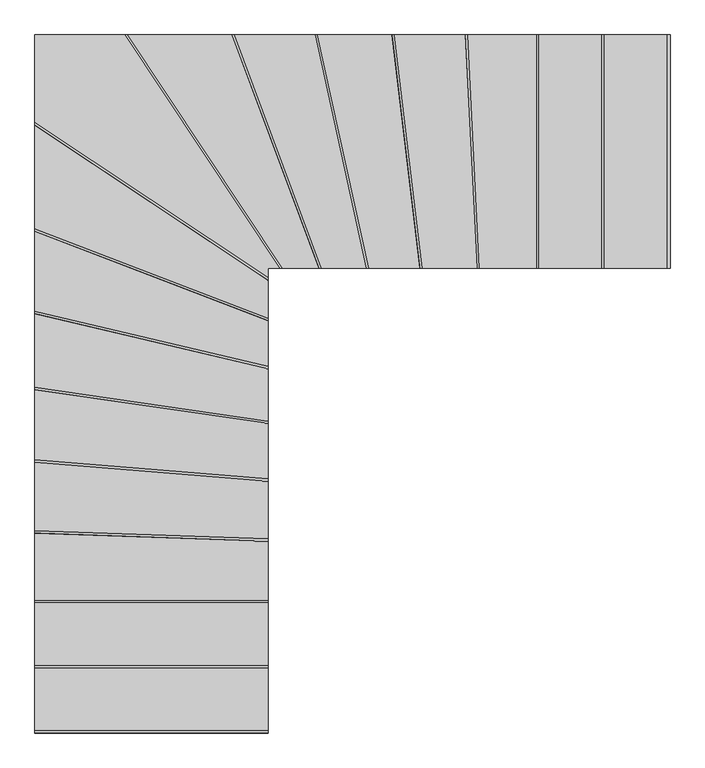
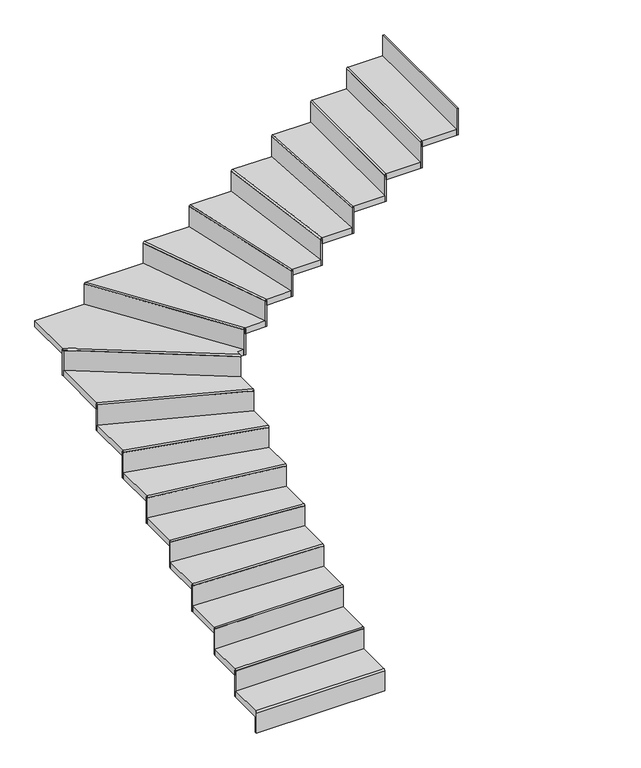
"""IFC4 building model written with IfcOpenShell, lengths in millimetres: stair flight geometry."""

from ifc_helpers import new_model, si_unit, frame, origin, place, context, project, spatial, circle_curve, ellipse_curve, faceted_brep, source, transform, mapped, element, save
from ifc_brep_helpers import plane_surface, cylinder_surface, advanced_brep


def stair_flight_3027c097(model_context):
    return source(origin(), model_context, "Body", "SolidModel", [
        advanced_brep(
        [(-4382.5565664, 1083.4018878, 156.4705882), (-4382.5565664, 1083.4018878, 176.4705882), (-5382.5565664, 1083.4018878, 176.4705882), (-5382.5565664, 1083.4018878, 156.4705882), (-5382.5565664, 1353.4018878, 176.4705882), (-4382.5565664, 1353.4018878, 176.4705882), (-5382.5565664, 1083.4018878, 126.4705882), (-5382.5565664, 1353.4018878, 126.4705882), (-4382.5565664, 1353.4018878, 126.4705882), (-4382.5565664, 1083.4018878, 126.4705882)],
        [
            (0, 1, circle_curve(frame((-4382.5565664, 1083.4018878, 166.4705882), z_axis=(-1.0, 0.0, 0.0), x_axis=(0.0, 1.0, 0.0)), 10.0)),
            (1, 2),
            (2, 3, circle_curve(frame((-5382.5565664, 1083.4018878, 166.4705882), z_axis=(1.0, 0.0, 0.0), x_axis=(0.0, 1.0, 0.0)), 10.0)),
            (3, 0),
            (4, 2),
            (1, 5),
            (5, 4),
            (6, 7),
            (7, 8),
            (8, 9),
            (9, 6),
            (4, 7),
            (6, 3),
            (9, 0),
            (8, 5),
        ],
        [
            cylinder_surface(frame((-4382.5565664, 1083.4018878, 166.4705882), z_axis=(1.0, 0.0, 0.0), x_axis=(0.0, 1.0, 0.0)), 10.0),
            plane_surface(frame((-5382.5565664, 1073.4018878, 176.4705882), z_axis=(0.0, 0.0, 1.0), x_axis=(0.0, -1.0, 0.0))),
            plane_surface(frame((-5382.5565664, 1073.4018878, 126.4705882), z_axis=(0.0, 0.0, -1.0), x_axis=(0.0, 1.0, 0.0))),
            plane_surface(frame((-5382.5565664, 1353.4018878, 176.4705882), z_axis=(-1.0, 0.0, 0.0), x_axis=(0.0, 0.0, -1.0))),
            plane_surface(frame((-5382.5565664, 1083.4018878, 176.4705882), z_axis=(0.0, -1.0, 0.0), x_axis=(0.0, 0.0, -1.0))),
            plane_surface(frame((-4382.5565664, 1083.4018878, 176.4705882), z_axis=(1.0, 0.0, 0.0), x_axis=(0.0, 0.0, -1.0))),
            plane_surface(frame((-4382.5565664, 1353.4018878, 176.4705882), z_axis=(0.0, 1.0, 0.0), x_axis=(0.0, 0.0, -1.0))),
        ],
        [
            (0, [[1, 2, 3, 4]]),
            (1, [[5, -2, 6, 7]]),
            (2, [[8, 9, 10, 11]]),
            (3, [[-5, 12, -8, 13, -3]]),
            (4, [[-11, 14, -4, -13]]),
            (5, [[-6, -1, -14, -10, 15]]),
            (6, [[-7, -15, -9, -12]]),
        ],
    ),
        faceted_brep([(-4382.5565664, 1073.4018878, 166.4705882), (-4382.5565664, 1073.4018878, 0.0), (-4382.5565664, 1085.9018878, 0.0), (-4382.5565664, 1085.9018878, 166.4705882), (-5382.5565664, 1073.4018878, 166.4705882), (-5382.5565664, 1085.9018878, 166.4705882), (-5382.5565664, 1085.9018878, 0.0), (-5382.5565664, 1073.4018878, 0.0)], [[[0, 1, 2, 3]], [[4, 5, 6, 7]], [[1, 0, 4, 7]], [[2, 1, 7, 6]], [[3, 2, 6, 5]], [[0, 3, 5, 4]]]),
        faceted_brep([(-4382.5565664, 1353.4018878, 342.9411765), (-4382.5565664, 1353.4018878, 126.4705882), (-4382.5565664, 1365.9018878, 126.4705882), (-4382.5565664, 1365.9018878, 342.9411765), (-5382.5565664, 1353.4018878, 342.9411765), (-5382.5565664, 1365.9018878, 342.9411765), (-5382.5565664, 1365.9018878, 126.4705882), (-5382.5565664, 1353.4018878, 126.4705882)], [[[0, 1, 2, 3]], [[4, 5, 6, 7]], [[1, 0, 4, 7]], [[2, 1, 7, 6]], [[3, 2, 6, 5]], [[0, 3, 5, 4]]]),
        advanced_brep(
        [(-5382.5565664, 1633.4018878, 352.9411765), (-5382.5565664, 1363.4018878, 352.9411765), (-4382.5565664, 1363.4018878, 352.9411765), (-4382.5565664, 1633.4018878, 352.9411765), (-5382.5565664, 1363.4018878, 302.9411765), (-5382.5565664, 1633.4018878, 302.9411765), (-4382.5565664, 1633.4018878, 302.9411765), (-4382.5565664, 1363.4018878, 302.9411765), (-5382.5565664, 1363.4018878, 332.9411765), (-4382.5565664, 1363.4018878, 332.9411765)],
        [
            (0, 1),
            (1, 2),
            (2, 3),
            (3, 0),
            (4, 5),
            (5, 6),
            (6, 7),
            (7, 4),
            (0, 5),
            (4, 8),
            (8, 1, circle_curve(frame((-5382.5565664, 1363.4018878, 342.9411765), z_axis=(-1.0, 0.0, 0.0), x_axis=(0.0, 1.0, 0.0)), 10.0)),
            (7, 9),
            (9, 8),
            (2, 9, circle_curve(frame((-4382.5565664, 1363.4018878, 342.9411765), z_axis=(1.0, 0.0, 0.0), x_axis=(0.0, 1.0, 0.0)), 10.0)),
            (6, 3),
        ],
        [
            plane_surface(frame((-5382.5565664, 1073.4018878, 352.9411765), z_axis=(0.0, 0.0, 1.0), x_axis=(0.0, -1.0, 0.0))),
            plane_surface(frame((-5382.5565664, 1073.4018878, 302.9411765), z_axis=(0.0, 0.0, -1.0), x_axis=(0.0, 1.0, 0.0))),
            plane_surface(frame((-5382.5565664, 1633.4018878, 352.9411765), z_axis=(-1.0, 0.0, 0.0), x_axis=(0.0, 0.0, -1.0))),
            plane_surface(frame((-5382.5565664, 1363.4018878, 352.9411765), z_axis=(0.0, -1.0, 0.0), x_axis=(0.0, 0.0, -1.0))),
            plane_surface(frame((-4382.5565664, 1363.4018878, 352.9411765), z_axis=(1.0, 0.0, 0.0), x_axis=(0.0, 0.0, -1.0))),
            plane_surface(frame((-4382.5565664, 1633.4018878, 352.9411765), z_axis=(0.0, 1.0, 0.0), x_axis=(0.0, 0.0, -1.0))),
            cylinder_surface(frame((-4382.5565664, 1363.4018878, 342.9411765), z_axis=(1.0, 0.0, 0.0), x_axis=(0.0, 1.0, 0.0)), 10.0),
        ],
        [
            (0, [[1, 2, 3, 4]]),
            (1, [[5, 6, 7, 8]]),
            (2, [[-1, 9, -5, 10, 11]]),
            (3, [[-8, 12, 13, -10]]),
            (4, [[-3, 14, -12, -7, 15]]),
            (5, [[-4, -15, -6, -9]]),
            (6, [[-14, -2, -11, -13]]),
        ],
    ),
        faceted_brep([(-4382.5565664, 1633.4018878, 519.4117647), (-4382.5565664, 1633.4018878, 302.9411765), (-4382.5565664, 1645.9018878, 302.9411765), (-4382.5565664, 1645.9018878, 519.4117647), (-5382.5565664, 1633.4018878, 519.4117647), (-5382.5565664, 1645.9018878, 519.4117647), (-5382.5565664, 1645.9018878, 302.9411765), (-5382.5565664, 1633.4018878, 302.9411765)], [[[0, 1, 2, 3]], [[4, 5, 6, 7]], [[1, 0, 4, 7]], [[2, 1, 7, 6]], [[3, 2, 6, 5]], [[0, 3, 5, 4]]]),
        advanced_brep(
        [(-5382.5565664, 1930.9861509, 529.4117647), (-5382.5565664, 1643.4018878, 529.4117647), (-4382.5565664, 1643.4018878, 529.4117647), (-4382.5565664, 1895.8176248, 529.4117647), (-5382.5565664, 1643.4018878, 479.4117647), (-5382.5565664, 1930.9861509, 479.4117647), (-4382.5565664, 1895.8176248, 479.4117647), (-4382.5565664, 1643.4018878, 479.4117647), (-5382.5565664, 1643.4018878, 509.4117647), (-4382.5565664, 1643.4018878, 509.4117647)],
        [
            (0, 1),
            (1, 2),
            (2, 3),
            (3, 0),
            (4, 5),
            (5, 6),
            (6, 7),
            (7, 4),
            (0, 5),
            (4, 8),
            (8, 1, circle_curve(frame((-5382.5565664, 1643.4018878, 519.4117647), z_axis=(-1.0, 0.0, 0.0), x_axis=(0.0, 1.0, 0.0)), 10.0)),
            (7, 9),
            (9, 8),
            (2, 9, circle_curve(frame((-4382.5565664, 1643.4018878, 519.4117647), z_axis=(1.0, 0.0, 0.0), x_axis=(0.0, 1.0, 0.0)), 10.0)),
            (6, 3),
        ],
        [
            plane_surface(frame((-5382.5565664, 1073.4018878, 529.4117647), z_axis=(0.0, 0.0, 1.0), x_axis=(0.0, -1.0, 0.0))),
            plane_surface(frame((-5382.5565664, 1073.4018878, 479.4117647), z_axis=(0.0, 0.0, -1.0), x_axis=(0.0, 1.0, 0.0))),
            plane_surface(frame((-5382.5565664, 1930.9861509, 529.4117647), z_axis=(-1.0, 0.0, 0.0), x_axis=(0.0, 0.0, -1.0))),
            plane_surface(frame((-5382.5565664, 1643.4018878, 529.4117647), z_axis=(0.0, -1.0, 0.0), x_axis=(0.0, 0.0, -1.0))),
            plane_surface(frame((-4382.5565664, 1643.4018878, 529.4117647), z_axis=(1.0, 0.0, 0.0), x_axis=(0.0, 0.0, -1.0))),
            plane_surface(frame((-4382.5565664, 1895.8176248, 529.4117647), z_axis=(0.035146797626448886, 0.9993821604454453, 0.0), x_axis=(0.0, 0.0, -1.0))),
            cylinder_surface(frame((-4382.5565664, 1643.4018878, 519.4117647), z_axis=(1.0, 0.0, 0.0), x_axis=(0.0, 1.0, 0.0)), 10.0),
        ],
        [
            (0, [[1, 2, 3, 4]]),
            (1, [[5, 6, 7, 8]]),
            (2, [[-1, 9, -5, 10, 11]]),
            (3, [[-8, 12, 13, -10]]),
            (4, [[-3, 14, -12, -7, 15]]),
            (5, [[-4, -15, -6, -9]]),
            (6, [[-14, -2, -11, -13]]),
        ],
    ),
        faceted_brep([(-4382.5565664, 1895.8176248, 695.8823529), (-4382.5565664, 1895.8176248, 479.4117647), (-4382.5565664, 1908.3253525, 479.4117647), (-4382.5565664, 1908.3253525, 695.8823529), (-5382.5565664, 1930.9861509, 695.8823529), (-5382.5565664, 1943.4938787, 695.8823529), (-5382.5565664, 1943.4938787, 479.4117647), (-5382.5565664, 1930.9861509, 479.4117647)], [[[0, 1, 2, 3]], [[4, 5, 6, 7]], [[1, 0, 4, 7]], [[2, 1, 7, 6]], [[3, 2, 6, 5]], [[0, 3, 5, 4]]]),
        advanced_brep(
        [(-5382.5565664, 2234.068725, 705.8823529), (-5382.5565664, 1940.9923331, 705.8823529), (-4382.5565664, 1905.823807, 705.8823529), (-4382.5565664, 2152.7350507, 705.8823529), (-5382.5565664, 1940.9923331, 655.8823529), (-5382.5565664, 2234.068725, 655.8823529), (-4382.5565664, 2152.7350507, 655.8823529), (-4382.5565664, 1905.823807, 655.8823529), (-5382.5565664, 1940.9923331, 685.8823529), (-4382.5565664, 1905.823807, 685.8823529)],
        [
            (0, 1),
            (1, 2),
            (2, 3),
            (3, 0),
            (4, 5),
            (5, 6),
            (6, 7),
            (7, 4),
            (0, 5),
            (4, 8),
            (8, 1, ellipse_curve(frame((-5382.5565664, 1940.9923331, 695.8823529), z_axis=(-1.0, 0.0, 0.0), x_axis=(0.0, -1.0, 0.0)), 10.0061822, 10.0)),
            (7, 9),
            (9, 8),
            (2, 9, ellipse_curve(frame((-4382.5565664, 1905.823807, 695.8823529), z_axis=(1.0, 0.0, 0.0), x_axis=(0.0, -1.0, 0.0)), 10.0061822, 10.0)),
            (6, 3),
        ],
        [
            plane_surface(frame((-5382.5565664, 1073.4018878, 705.8823529), z_axis=(0.0, 0.0, 1.0), x_axis=(0.0, -1.0, 0.0))),
            plane_surface(frame((-5382.5565664, 1073.4018878, 655.8823529), z_axis=(0.0, 0.0, -1.0), x_axis=(0.0, 1.0, 0.0))),
            plane_surface(frame((-5382.5565664, 2234.068725, 705.8823529), z_axis=(-1.0, 0.0, 0.0), x_axis=(0.0, 0.0, -1.0))),
            plane_surface(frame((-5382.5565664, 1940.9923331, 705.8823529), z_axis=(-0.035146797626448886, -0.9993821604454453, 0.0), x_axis=(0.0, 0.0, -1.0))),
            plane_surface(frame((-4382.5565664, 1905.823807, 705.8823529), z_axis=(1.0, 0.0, 0.0), x_axis=(0.0, 0.0, -1.0))),
            plane_surface(frame((-4382.5565664, 2152.7350507, 705.8823529), z_axis=(0.08106598374996134, 0.9967087369330375, 0.0), x_axis=(0.0, 0.0, -1.0))),
            cylinder_surface(frame((-4382.5565664, 1905.823807, 695.8823529), z_axis=(0.9993821604454453, -0.035146797626448886, 0.0), x_axis=(0.035146797626448886, 0.9993821604454453, 0.0)), 10.0),
        ],
        [
            (0, [[1, 2, 3, 4]]),
            (1, [[5, 6, 7, 8]]),
            (2, [[-1, 9, -5, 10, 11]]),
            (3, [[-8, 12, 13, -10]]),
            (4, [[-3, 14, -12, -7, 15]]),
            (5, [[-4, -15, -6, -9]]),
            (6, [[-14, -2, -11, -13]]),
        ],
    ),
        faceted_brep([(-4382.5565664, 2152.7350507, 872.3529412), (-4382.5565664, 2152.7350507, 655.8823529), (-4382.5565664, 2165.2763273, 655.8823529), (-4382.5565664, 2165.2763273, 872.3529412), (-5382.5565664, 2234.068725, 872.3529412), (-5382.5565664, 2246.6100016, 872.3529412), (-5382.5565664, 2246.6100016, 655.8823529), (-5382.5565664, 2234.068725, 655.8823529)], [[[0, 1, 2, 3]], [[4, 5, 6, 7]], [[1, 0, 4, 7]], [[2, 1, 7, 6]], [[3, 2, 6, 5]], [[0, 3, 5, 4]]]),
        advanced_brep(
        [(-5382.5565664, 2545.7063547, 882.3529412), (-5382.5565664, 2244.1017463, 882.3529412), (-4382.5565664, 2162.768072, 882.3529412), (-4382.5565664, 2401.097421, 882.3529412), (-5382.5565664, 2244.1017463, 832.3529412), (-5382.5565664, 2545.7063547, 832.3529412), (-4382.5565664, 2401.097421, 832.3529412), (-4382.5565664, 2162.768072, 832.3529412), (-5382.5565664, 2244.1017463, 862.3529412), (-4382.5565664, 2162.768072, 862.3529412)],
        [
            (0, 1),
            (1, 2),
            (2, 3),
            (3, 0),
            (4, 5),
            (5, 6),
            (6, 7),
            (7, 4),
            (0, 5),
            (4, 8),
            (8, 1, ellipse_curve(frame((-5382.5565664, 2244.1017463, 872.3529412), z_axis=(-1.0, 0.0, 0.0), x_axis=(0.0, -1.0, 0.0)), 10.0330213, 10.0)),
            (7, 9),
            (9, 8),
            (2, 9, ellipse_curve(frame((-4382.5565664, 2162.768072, 872.3529412), z_axis=(1.0, 0.0, 0.0), x_axis=(0.0, -1.0, 0.0)), 10.0330213, 10.0)),
            (6, 3),
        ],
        [
            plane_surface(frame((-5382.5565664, 1073.4018878, 882.3529412), z_axis=(0.0, 0.0, 1.0), x_axis=(0.0, -1.0, 0.0))),
            plane_surface(frame((-5382.5565664, 1073.4018878, 832.3529412), z_axis=(0.0, 0.0, -1.0), x_axis=(0.0, 1.0, 0.0))),
            plane_surface(frame((-5382.5565664, 2545.7063547, 882.3529412), z_axis=(-1.0, 0.0, 0.0), x_axis=(0.0, 0.0, -1.0))),
            plane_surface(frame((-5382.5565664, 2244.1017463, 882.3529412), z_axis=(-0.08106598374996134, -0.9967087369330375, 0.0), x_axis=(0.0, 0.0, -1.0))),
            plane_surface(frame((-4382.5565664, 2162.768072, 882.3529412), z_axis=(1.0, 0.0, 0.0), x_axis=(0.0, 0.0, -1.0))),
            plane_surface(frame((-4382.5565664, 2401.097421, 882.3529412), z_axis=(0.1431202295228898, 0.9897053096257065, 0.0), x_axis=(0.0, 0.0, -1.0))),
            cylinder_surface(frame((-4382.5565664, 2162.768072, 872.3529412), z_axis=(0.9967087369330375, -0.08106598374996134, 0.0), x_axis=(0.08106598374996134, 0.9967087369330375, 0.0)), 10.0),
        ],
        [
            (0, [[1, 2, 3, 4]]),
            (1, [[5, 6, 7, 8]]),
            (2, [[-1, 9, -5, 10, 11]]),
            (3, [[-8, 12, 13, -10]]),
            (4, [[-3, 14, -12, -7, 15]]),
            (5, [[-4, -15, -6, -9]]),
            (6, [[-14, -2, -11, -13]]),
        ],
    ),
        faceted_brep([(-4382.5565664, 2401.097421, 1048.8235294), (-4382.5565664, 2401.097421, 832.3529412), (-4382.5565664, 2413.7274432, 832.3529412), (-4382.5565664, 2413.7274432, 1048.8235294), (-5382.5565664, 2545.7063547, 1048.8235294), (-5382.5565664, 2558.3363769, 1048.8235294), (-5382.5565664, 2558.3363769, 832.3529412), (-5382.5565664, 2545.7063547, 832.3529412)], [[[0, 1, 2, 3]], [[4, 5, 6, 7]], [[1, 0, 4, 7]], [[2, 1, 7, 6]], [[3, 2, 6, 5]], [[0, 3, 5, 4]]]),
        advanced_brep(
        [(-5382.5565664, 2871.7370191, 1058.8235294), (-5382.5565664, 2555.8103724, 1058.8235294), (-4382.5565664, 2411.2014387, 1058.8235294), (-4382.5565664, 2635.0667565, 1058.8235294), (-5382.5565664, 2555.8103724, 1008.8235294), (-5382.5565664, 2871.7370191, 1008.8235294), (-4382.5565664, 2635.0667565, 1008.8235294), (-4382.5565664, 2411.2014387, 1008.8235294), (-5382.5565664, 2555.8103724, 1038.8235294), (-4382.5565664, 2411.2014387, 1038.8235294)],
        [
            (0, 1),
            (1, 2),
            (2, 3),
            (3, 0),
            (4, 5),
            (5, 6),
            (6, 7),
            (7, 4),
            (0, 5),
            (4, 8),
            (8, 1, ellipse_curve(frame((-5382.5565664, 2555.8103724, 1048.8235294), z_axis=(-1.0, 0.0, 0.0), x_axis=(0.0, -1.0, 0.0)), 10.1040177, 10.0)),
            (7, 9),
            (9, 8),
            (2, 9, ellipse_curve(frame((-4382.5565664, 2411.2014387, 1048.8235294), z_axis=(1.0, 0.0, 0.0), x_axis=(0.0, -1.0, 0.0)), 10.1040177, 10.0)),
            (6, 3),
        ],
        [
            plane_surface(frame((-5382.5565664, 1073.4018878, 1058.8235294), z_axis=(0.0, 0.0, 1.0), x_axis=(0.0, -1.0, 0.0))),
            plane_surface(frame((-5382.5565664, 1073.4018878, 1008.8235294), z_axis=(0.0, 0.0, -1.0), x_axis=(0.0, 1.0, 0.0))),
            plane_surface(frame((-5382.5565664, 2871.7370191, 1058.8235294), z_axis=(-1.0, 0.0, 0.0), x_axis=(0.0, 0.0, -1.0))),
            plane_surface(frame((-5382.5565664, 2555.8103724, 1058.8235294), z_axis=(-0.1431202295228898, -0.9897053096257065, 0.0), x_axis=(0.0, 0.0, -1.0))),
            plane_surface(frame((-4382.5565664, 2411.2014387, 1058.8235294), z_axis=(1.0, 0.0, 0.0), x_axis=(0.0, 0.0, -1.0))),
            plane_surface(frame((-4382.5565664, 2635.0667565, 1058.8235294), z_axis=(0.2303080396874287, 0.9731177764563412, 0.0), x_axis=(0.0, 0.0, -1.0))),
            cylinder_surface(frame((-4382.5565664, 2411.2014387, 1048.8235294), z_axis=(0.9897053096257065, -0.1431202295228898, 0.0), x_axis=(0.1431202295228898, 0.9897053096257065, 0.0)), 10.0),
        ],
        [
            (0, [[1, 2, 3, 4]]),
            (1, [[5, 6, 7, 8]]),
            (2, [[-1, 9, -5, 10, 11]]),
            (3, [[-8, 12, 13, -10]]),
            (4, [[-3, 14, -12, -7, 15]]),
            (5, [[-4, -15, -6, -9]]),
            (6, [[-14, -2, -11, -13]]),
        ],
    ),
        faceted_brep([(-4382.5565664, 2635.0667565, 1225.2941176), (-4382.5565664, 2635.0667565, 1008.8235294), (-4382.5565664, 2647.9120671, 1008.8235294), (-4382.5565664, 2647.9120671, 1225.2941176), (-5382.5565664, 2871.7370191, 1225.2941176), (-5382.5565664, 2884.5823296, 1225.2941176), (-5382.5565664, 2884.5823296, 1008.8235294), (-5382.5565664, 2871.7370191, 1008.8235294)], [[[0, 1, 2, 3]], [[4, 5, 6, 7]], [[1, 0, 4, 7]], [[2, 1, 7, 6]], [[3, 2, 6, 5]], [[0, 3, 5, 4]]]),
        advanced_brep(
        [(-5382.5565664, 3224.8745084, 1235.2941176), (-5382.5565664, 2882.0132675, 1235.2941176), (-4382.5565664, 2645.343005, 1235.2941176), (-4382.5565664, 2841.9292673, 1235.2941176), (-5382.5565664, 2882.0132675, 1185.2941176), (-5382.5565664, 3224.8745084, 1185.2941176), (-4382.5565664, 2841.9292673, 1185.2941176), (-4382.5565664, 2645.343005, 1185.2941176), (-5382.5565664, 2882.0132675, 1215.2941176), (-4382.5565664, 2645.343005, 1215.2941176)],
        [
            (0, 1),
            (1, 2),
            (2, 3),
            (3, 0),
            (4, 5),
            (5, 6),
            (6, 7),
            (7, 4),
            (0, 5),
            (4, 8),
            (8, 1, ellipse_curve(frame((-5382.5565664, 2882.0132675, 1225.2941176), z_axis=(-1.0, 0.0, 0.0), x_axis=(0.0, -0.9999999999999999, 0.0)), 10.2762484, 10.0)),
            (7, 9),
            (9, 8),
            (2, 9, ellipse_curve(frame((-4382.5565664, 2645.343005, 1225.2941176), z_axis=(1.0, 0.0, 0.0), x_axis=(0.0, -0.9999999999999999, 0.0)), 10.2762484, 10.0)),
            (6, 3),
        ],
        [
            plane_surface(frame((-5382.5565664, 1073.4018878, 1235.2941176), z_axis=(0.0, 0.0, 1.0), x_axis=(0.0, -1.0, 0.0))),
            plane_surface(frame((-5382.5565664, 1073.4018878, 1185.2941176), z_axis=(0.0, 0.0, -1.0), x_axis=(0.0, 1.0, 0.0))),
            plane_surface(frame((-5382.5565664, 3224.8745084, 1235.2941176), z_axis=(-1.0, 0.0, 0.0), x_axis=(0.0, 0.0, -1.0))),
            plane_surface(frame((-5382.5565664, 2882.0132675, 1235.2941176), z_axis=(-0.2303080396874287, -0.9731177764563412, 0.0), x_axis=(0.0, 0.0, -1.0))),
            plane_surface(frame((-4382.5565664, 2645.343005, 1235.2941176), z_axis=(1.0, 0.0, 0.0), x_axis=(0.0, 0.0, -1.0))),
            plane_surface(frame((-4382.5565664, 2841.9292673, 1235.2941176), z_axis=(0.3576199979387768, 0.9338671945594134, 0.0), x_axis=(0.0, 0.0, -1.0))),
            cylinder_surface(frame((-4382.5565664, 2645.343005, 1225.2941176), z_axis=(0.9731177764563412, -0.2303080396874287, 0.0), x_axis=(0.2303080396874287, 0.9731177764563412, 0.0)), 10.0),
        ],
        [
            (0, [[1, 2, 3, 4]]),
            (1, [[5, 6, 7, 8]]),
            (2, [[-1, 9, -5, 10, 11]]),
            (3, [[-8, 12, 13, -10]]),
            (4, [[-3, 14, -12, -7, 15]]),
            (5, [[-4, -15, -6, -9]]),
            (6, [[-14, -2, -11, -13]]),
        ],
    ),
        faceted_brep([(-4382.5565664, 2841.9292673, 1401.7647059), (-4382.5565664, 2841.9292673, 1185.2941176), (-4382.5565664, 2855.3144682, 1185.2941176), (-4382.5565664, 2855.3144682, 1401.7647059), (-5382.5565664, 3224.8745084, 1401.7647059), (-5382.5565664, 3238.2597093, 1401.7647059), (-5382.5565664, 3238.2597093, 1185.2941176), (-5382.5565664, 3224.8745084, 1185.2941176)], [[[0, 1, 2, 3]], [[4, 5, 6, 7]], [[1, 0, 4, 7]], [[2, 1, 7, 6]], [[3, 2, 6, 5]], [[0, 3, 5, 4]]]),
        advanced_brep(
        [(-5382.5565664, 3679.7313863, 1411.7647059), (-5382.5565664, 3235.5826691, 1411.7647059), (-4382.5565664, 2852.637428, 1411.7647059), (-4382.5565664, 3015.2152573, 1411.7647059), (-5382.5565664, 3235.5826691, 1361.7647059), (-5382.5565664, 3679.7313863, 1361.7647059), (-4382.5565664, 3015.2152573, 1361.7647059), (-4382.5565664, 2852.637428, 1361.7647059), (-5382.5565664, 3235.5826691, 1391.7647059), (-4382.5565664, 2852.637428, 1391.7647059)],
        [
            (0, 1),
            (1, 2),
            (2, 3),
            (3, 0),
            (4, 5),
            (5, 6),
            (6, 7),
            (7, 4),
            (0, 5),
            (4, 8),
            (8, 1, ellipse_curve(frame((-5382.5565664, 3235.5826691, 1401.7647059), z_axis=(-1.0, 0.0, 0.0), x_axis=(0.0, -1.0, 0.0)), 10.7081607, 10.0)),
            (7, 9),
            (9, 8),
            (2, 9, ellipse_curve(frame((-4382.5565664, 2852.637428, 1401.7647059), z_axis=(1.0, 0.0, 0.0), x_axis=(0.0, -1.0, 0.0)), 10.7081607, 10.0)),
            (6, 3),
        ],
        [
            plane_surface(frame((-5382.5565664, 1073.4018878, 1411.7647059), z_axis=(0.0, 0.0, 1.0), x_axis=(0.0, -1.0, 0.0))),
            plane_surface(frame((-5382.5565664, 1073.4018878, 1361.7647059), z_axis=(0.0, 0.0, -1.0), x_axis=(0.0, 1.0, 0.0))),
            plane_surface(frame((-5382.5565664, 3679.7313863, 1411.7647059), z_axis=(-1.0, 0.0, 0.0), x_axis=(0.0, 0.0, -1.0))),
            plane_surface(frame((-5382.5565664, 3235.5826691, 1411.7647059), z_axis=(-0.3576199979387768, -0.9338671945594134, 0.0), x_axis=(0.0, 0.0, -1.0))),
            plane_surface(frame((-4382.5565664, 2852.637428, 1411.7647059), z_axis=(1.0, 0.0, 0.0), x_axis=(0.0, 0.0, -1.0))),
            plane_surface(frame((-4382.5565664, 3015.2152573, 1411.7647059), z_axis=(0.5534595662578744, 0.8328760463104011, 0.0), x_axis=(0.0, 0.0, -1.0))),
            cylinder_surface(frame((-4382.5565664, 2852.637428, 1401.7647059), z_axis=(0.9338671945594134, -0.3576199979387768, 0.0), x_axis=(0.3576199979387768, 0.9338671945594134, 0.0)), 10.0),
        ],
        [
            (0, [[1, 2, 3, 4]]),
            (1, [[5, 6, 7, 8]]),
            (2, [[-1, 9, -5, 10, 11]]),
            (3, [[-8, 12, 13, -10]]),
            (4, [[-3, 14, -12, -7, 15]]),
            (5, [[-4, -15, -6, -9]]),
            (6, [[-14, -2, -11, -13]]),
        ],
    ),
        faceted_brep([(-4382.5565664, 3015.2152573, 1578.2352941), (-4382.5565664, 3015.2152573, 1361.7647059), (-4382.5565664, 3030.223493, 1361.7647059), (-4382.5565664, 3030.223493, 1578.2352941), (-5382.5565664, 3679.7313863, 1578.2352941), (-5382.5565664, 3694.739622, 1578.2352941), (-5382.5565664, 3694.739622, 1361.7647059), (-5382.5565664, 3679.7313863, 1361.7647059)], [[[0, 1, 2, 3]], [[4, 5, 6, 7]], [[1, 0, 4, 7]], [[2, 1, 7, 6]], [[3, 2, 6, 5]], [[0, 3, 5, 4]]]),
        advanced_brep(
        [(-4996.1610071, 4066.1269455, 1588.2352941), (-5382.5565664, 4066.1269455, 1588.2352941), (-5382.5565664, 3691.7379749, 1588.2352941), (-4382.5565664, 3027.2218458, 1588.2352941), (-4382.5565664, 3066.1269455, 1588.2352941), (-4331.6448781, 3066.1269455, 1588.2352941), (-5382.5565664, 4066.1269455, 1538.2352941), (-4996.1610071, 4066.1269455, 1538.2352941), (-4331.6448781, 3066.1269455, 1538.2352941), (-4382.5565664, 3066.1269455, 1538.2352941), (-4382.5565664, 3027.2218458, 1538.2352941), (-5382.5565664, 3691.7379749, 1538.2352941), (-5382.5565664, 3691.7379749, 1568.2352941), (-4382.5565664, 3027.2218458, 1568.2352941)],
        [
            (0, 1),
            (1, 2),
            (2, 3),
            (3, 4),
            (4, 5),
            (5, 0),
            (6, 7),
            (7, 8),
            (8, 9),
            (9, 10),
            (10, 11),
            (11, 6),
            (0, 7),
            (6, 1),
            (11, 12),
            (12, 2, ellipse_curve(frame((-5382.5565664, 3691.7379749, 1578.2352941), z_axis=(-1.0, 0.0, 0.0), x_axis=(0.0, -1.0, 0.0)), 12.0065885, 10.0)),
            (10, 13),
            (13, 12),
            (3, 13, ellipse_curve(frame((-4382.5565664, 3027.2218458, 1578.2352941), z_axis=(1.0, 0.0, 0.0), x_axis=(0.0, -1.0, 0.0)), 12.0065885, 10.0)),
            (9, 4),
            (8, 5),
        ],
        [
            plane_surface(frame((-4882.5565664, 4066.1269455, 1588.2352941), z_axis=(0.0, 0.0, 1.0), x_axis=(-1.0, 0.0, 0.0))),
            plane_surface(frame((-4882.5565664, 4066.1269455, 1538.2352941), z_axis=(0.0, 0.0, -1.0), x_axis=(1.0, 0.0, 0.0))),
            plane_surface(frame((-4996.1610071, 4066.1269455, 1588.2352941), z_axis=(0.0, 1.0, 0.0), x_axis=(0.0, 0.0, -1.0))),
            plane_surface(frame((-5382.5565664, 4066.1269455, 1588.2352941), z_axis=(-1.0, 0.0, 0.0), x_axis=(0.0, 0.0, -1.0))),
            plane_surface(frame((-5382.5565664, 3691.7379749, 1588.2352941), z_axis=(-0.5534595662578744, -0.8328760463104011, 0.0), x_axis=(0.0, 0.0, -1.0))),
            plane_surface(frame((-4382.5565664, 3027.2218458, 1588.2352941), z_axis=(1.0, 0.0, 0.0), x_axis=(0.0, 0.0, -1.0))),
            plane_surface(frame((-4382.5565664, 3066.1269455, 1588.2352941), z_axis=(0.0, -1.0, 0.0), x_axis=(0.0, 0.0, -1.0))),
            plane_surface(frame((-4331.6448781, 3066.1269455, 1588.2352941), z_axis=(0.8328760463103974, 0.5534595662578802, 0.0), x_axis=(0.0, 0.0, -1.0))),
            cylinder_surface(frame((-4382.5565664, 3027.2218458, 1578.2352941), z_axis=(0.8328760463104011, -0.5534595662578744, 0.0), x_axis=(0.5534595662578744, 0.8328760463104011, 0.0)), 10.0),
        ],
        [
            (0, [[1, 2, 3, 4, 5, 6]]),
            (1, [[7, 8, 9, 10, 11, 12]]),
            (2, [[-1, 13, -7, 14]]),
            (3, [[-2, -14, -12, 15, 16]]),
            (4, [[-11, 17, 18, -15]]),
            (5, [[-4, 19, -17, -10, 20]]),
            (6, [[-5, -20, -9, 21]]),
            (7, [[-6, -21, -8, -13]]),
            (8, [[-19, -3, -16, -18]]),
        ],
    ),
        faceted_brep([(-4331.6448781, 3066.1269455, 1754.7058824), (-4331.6448781, 3066.1269455, 1538.2352941), (-4316.6366424, 3066.1269455, 1538.2352941), (-4316.6366424, 3066.1269455, 1754.7058824), (-4996.1610071, 4066.1269455, 1754.7058824), (-4981.1527715, 4066.1269455, 1754.7058824), (-4981.1527715, 4066.1269455, 1538.2352941), (-4996.1610071, 4066.1269455, 1538.2352941)], [[[0, 1, 2, 3]], [[4, 5, 6, 7]], [[1, 0, 4, 7]], [[2, 1, 7, 6]], [[3, 2, 6, 5]], [[0, 3, 5, 4]]]),
        advanced_brep(
        [(-4536.5466438, 4066.1269455, 1764.7058824), (-4984.1544186, 4066.1269455, 1764.7058824), (-4319.6382896, 3066.1269455, 1764.7058824), (-4163.1163735, 3066.1269455, 1764.7058824), (-4984.1544186, 4066.1269455, 1714.7058824), (-4536.5466438, 4066.1269455, 1714.7058824), (-4163.1163735, 3066.1269455, 1714.7058824), (-4319.6382896, 3066.1269455, 1714.7058824), (-4984.1544186, 4066.1269455, 1744.7058824), (-4319.6382896, 3066.1269455, 1744.7058824)],
        [
            (0, 1),
            (1, 2),
            (2, 3),
            (3, 0),
            (4, 5),
            (5, 6),
            (6, 7),
            (7, 4),
            (0, 5),
            (4, 8),
            (8, 1, ellipse_curve(frame((-4984.1544186, 4066.1269455, 1754.7058824), z_axis=(0.0, 1.0, 0.0), x_axis=(1.0, 0.0, 0.0)), 12.0065885, 10.0)),
            (7, 9),
            (9, 8),
            (2, 9, ellipse_curve(frame((-4319.6382896, 3066.1269455, 1754.7058824), z_axis=(0.0, -1.0, 0.0), x_axis=(1.0, 0.0, 0.0)), 12.0065885, 10.0)),
            (6, 3),
        ],
        [
            plane_surface(frame((-4882.5565664, 4066.1269455, 1764.7058824), z_axis=(0.0, 0.0, 1.0), x_axis=(-1.0, 0.0, 0.0))),
            plane_surface(frame((-4882.5565664, 4066.1269455, 1714.7058824), z_axis=(0.0, 0.0, -1.0), x_axis=(1.0, 0.0, 0.0))),
            plane_surface(frame((-4536.5466438, 4066.1269455, 1764.7058824), z_axis=(0.0, 1.0, 0.0), x_axis=(0.0, 0.0, -1.0))),
            plane_surface(frame((-4984.1544186, 4066.1269455, 1764.7058824), z_axis=(-0.8328760463103974, -0.5534595662578802, 0.0), x_axis=(0.0, 0.0, -1.0))),
            plane_surface(frame((-4319.6382896, 3066.1269455, 1764.7058824), z_axis=(0.0, -1.0, 0.0), x_axis=(0.0, 0.0, -1.0))),
            plane_surface(frame((-4163.1163735, 3066.1269455, 1764.7058824), z_axis=(0.9368117555809965, 0.3498338671501823, 0.0), x_axis=(0.0, 0.0, -1.0))),
            cylinder_surface(frame((-4319.6382896, 3066.1269455, 1754.7058824), z_axis=(0.5534595662578802, -0.8328760463103974, 0.0), x_axis=(0.8328760463103974, 0.5534595662578802, 0.0)), 10.0),
        ],
        [
            (0, [[1, 2, 3, 4]]),
            (1, [[5, 6, 7, 8]]),
            (2, [[-1, 9, -5, 10, 11]]),
            (3, [[-8, 12, 13, -10]]),
            (4, [[-3, 14, -12, -7, 15]]),
            (5, [[-4, -15, -6, -9]]),
            (6, [[-14, -2, -11, -13]]),
        ],
    ),
        faceted_brep([(-4163.1163735, 3066.1269455, 1931.1764706), (-4163.1163735, 3066.1269455, 1714.7058824), (-4149.7732446, 3066.1269455, 1714.7058824), (-4149.7732446, 3066.1269455, 1931.1764706), (-4536.5466438, 4066.1269455, 1931.1764706), (-4523.203515, 4066.1269455, 1931.1764706), (-4523.203515, 4066.1269455, 1714.7058824), (-4536.5466438, 4066.1269455, 1714.7058824)], [[[0, 1, 2, 3]], [[4, 5, 6, 7]], [[1, 0, 4, 7]], [[2, 1, 7, 6]], [[3, 2, 6, 5]], [[0, 3, 5, 4]]]),
        advanced_brep(
        [(-4179.195862, 4066.1269455, 1941.1764706), (-4525.8721407, 4066.1269455, 1941.1764706), (-4152.4418704, 3066.1269455, 1941.1764706), (-3960.4671553, 3066.1269455, 1941.1764706), (-4525.8721407, 4066.1269455, 1891.1764706), (-4179.195862, 4066.1269455, 1891.1764706), (-3960.4671553, 3066.1269455, 1891.1764706), (-4152.4418704, 3066.1269455, 1891.1764706), (-4525.8721407, 4066.1269455, 1921.1764706), (-4152.4418704, 3066.1269455, 1921.1764706)],
        [
            (0, 1),
            (1, 2),
            (2, 3),
            (3, 0),
            (4, 5),
            (5, 6),
            (6, 7),
            (7, 4),
            (0, 5),
            (4, 8),
            (8, 1, ellipse_curve(frame((-4525.8721407, 4066.1269455, 1931.1764706), z_axis=(0.0, 1.0, 0.0), x_axis=(1.0, 0.0, 0.0)), 10.6745031, 10.0)),
            (7, 9),
            (9, 8),
            (2, 9, ellipse_curve(frame((-4152.4418704, 3066.1269455, 1931.1764706), z_axis=(0.0, -1.0, 0.0), x_axis=(1.0, 0.0, 0.0)), 10.6745031, 10.0)),
            (6, 3),
        ],
        [
            plane_surface(frame((-4882.5565664, 4066.1269455, 1941.1764706), z_axis=(0.0, 0.0, 1.0), x_axis=(-1.0, 0.0, 0.0))),
            plane_surface(frame((-4882.5565664, 4066.1269455, 1891.1764706), z_axis=(0.0, 0.0, -1.0), x_axis=(1.0, 0.0, 0.0))),
            plane_surface(frame((-4179.195862, 4066.1269455, 1941.1764706), z_axis=(0.0, 1.0, 0.0), x_axis=(0.0, 0.0, -1.0))),
            plane_surface(frame((-4525.8721407, 4066.1269455, 1941.1764706), z_axis=(-0.9368117555809965, -0.3498338671501823, 0.0), x_axis=(0.0, 0.0, -1.0))),
            plane_surface(frame((-4152.4418704, 3066.1269455, 1941.1764706), z_axis=(0.0, -1.0, 0.0), x_axis=(0.0, 0.0, -1.0))),
            plane_surface(frame((-3960.4671553, 3066.1269455, 1941.1764706), z_axis=(0.9769043597333207, 0.2136770271555436, 0.0), x_axis=(0.0, 0.0, -1.0))),
            cylinder_surface(frame((-4152.4418704, 3066.1269455, 1931.1764706), z_axis=(0.3498338671501823, -0.9368117555809965, 0.0), x_axis=(0.9368117555809965, 0.3498338671501823, 0.0)), 10.0),
        ],
        [
            (0, [[1, 2, 3, 4]]),
            (1, [[5, 6, 7, 8]]),
            (2, [[-1, 9, -5, 10, 11]]),
            (3, [[-8, 12, 13, -10]]),
            (4, [[-3, 14, -12, -7, 15]]),
            (5, [[-4, -15, -6, -9]]),
            (6, [[-14, -2, -11, -13]]),
        ],
    ),
        faceted_brep([(-3960.4671553, 3066.1269455, 2107.6470588), (-3960.4671553, 3066.1269455, 1891.1764706), (-3947.6716346, 3066.1269455, 1891.1764706), (-3947.6716346, 3066.1269455, 2107.6470588), (-4179.195862, 4066.1269455, 2107.6470588), (-4166.4003413, 4066.1269455, 2107.6470588), (-4166.4003413, 4066.1269455, 1891.1764706), (-4179.195862, 4066.1269455, 1891.1764706)], [[[0, 1, 2, 3]], [[4, 5, 6, 7]], [[1, 0, 4, 7]], [[2, 1, 7, 6]], [[3, 2, 6, 5]], [[0, 3, 5, 4]]]),
        advanced_brep(
        [(-3849.6410613, 4066.1269455, 2117.6470588), (-4168.9594454, 4066.1269455, 2117.6470588), (-3950.2307387, 3066.1269455, 2117.6470588), (-3730.021956, 3066.1269455, 2117.6470588), (-4168.9594454, 4066.1269455, 2067.6470588), (-3849.6410613, 4066.1269455, 2067.6470588), (-3730.021956, 3066.1269455, 2067.6470588), (-3950.2307387, 3066.1269455, 2067.6470588), (-4168.9594454, 4066.1269455, 2097.6470588), (-3950.2307387, 3066.1269455, 2097.6470588)],
        [
            (0, 1),
            (1, 2),
            (2, 3),
            (3, 0),
            (4, 5),
            (5, 6),
            (6, 7),
            (7, 4),
            (0, 5),
            (4, 8),
            (8, 1, ellipse_curve(frame((-4168.9594454, 4066.1269455, 2107.6470588), z_axis=(0.0, 1.0, 0.0), x_axis=(0.9999999999999999, 0.0, 0.0)), 10.2364166, 10.0)),
            (7, 9),
            (9, 8),
            (2, 9, ellipse_curve(frame((-3950.2307387, 3066.1269455, 2107.6470588), z_axis=(0.0, -1.0, 0.0), x_axis=(0.9999999999999999, 0.0, 0.0)), 10.2364166, 10.0)),
            (6, 3),
        ],
        [
            plane_surface(frame((-4882.5565664, 4066.1269455, 2117.6470588), z_axis=(0.0, 0.0, 1.0), x_axis=(-1.0, 0.0, 0.0))),
            plane_surface(frame((-4882.5565664, 4066.1269455, 2067.6470588), z_axis=(0.0, 0.0, -1.0), x_axis=(1.0, 0.0, 0.0))),
            plane_surface(frame((-3849.6410613, 4066.1269455, 2117.6470588), z_axis=(0.0, 1.0, 0.0), x_axis=(0.0, 0.0, -1.0))),
            plane_surface(frame((-4168.9594454, 4066.1269455, 2117.6470588), z_axis=(-0.9769043597333207, -0.2136770271555436, 0.0), x_axis=(0.0, 0.0, -1.0))),
            plane_surface(frame((-3950.2307387, 3066.1269455, 2117.6470588), z_axis=(0.0, -1.0, 0.0), x_axis=(0.0, 0.0, -1.0))),
            plane_surface(frame((-3730.021956, 3066.1269455, 2117.6470588), z_axis=(0.9929215080674453, 0.11877238238357603, 0.0), x_axis=(0.0, 0.0, -1.0))),
            cylinder_surface(frame((-3950.2307387, 3066.1269455, 2107.6470588), z_axis=(0.2136770271555436, -0.9769043597333207, 0.0), x_axis=(0.9769043597333207, 0.2136770271555436, 0.0)), 10.0),
        ],
        [
            (0, [[1, 2, 3, 4]]),
            (1, [[5, 6, 7, 8]]),
            (2, [[-1, 9, -5, 10, 11]]),
            (3, [[-8, 12, 13, -10]]),
            (4, [[-3, 14, -12, -7, 15]]),
            (5, [[-4, -15, -6, -9]]),
            (6, [[-14, -2, -11, -13]]),
        ],
    ),
        faceted_brep([(-3730.021956, 3066.1269455, 2284.1176471), (-3730.021956, 3066.1269455, 2067.6470588), (-3717.4328441, 3066.1269455, 2067.6470588), (-3717.4328441, 3066.1269455, 2284.1176471), (-3849.6410613, 4066.1269455, 2284.1176471), (-3837.0519494, 4066.1269455, 2284.1176471), (-3837.0519494, 4066.1269455, 2067.6470588), (-3849.6410613, 4066.1269455, 2067.6470588)], [[[0, 1, 2, 3]], [[4, 5, 6, 7]], [[1, 0, 4, 7]], [[2, 1, 7, 6]], [[3, 2, 6, 5]], [[0, 3, 5, 4]]]),
        advanced_brep(
        [(-3535.1815245, 4066.1269455, 2294.1176471), (-3839.5697718, 4066.1269455, 2294.1176471), (-3719.9506665, 3066.1269455, 2294.1176471), (-3484.4814928, 3066.1269455, 2294.1176471), (-3839.5697718, 4066.1269455, 2244.1176471), (-3535.1815245, 4066.1269455, 2244.1176471), (-3484.4814928, 3066.1269455, 2244.1176471), (-3719.9506665, 3066.1269455, 2244.1176471), (-3839.5697718, 4066.1269455, 2274.1176471), (-3719.9506665, 3066.1269455, 2274.1176471)],
        [
            (0, 1),
            (1, 2),
            (2, 3),
            (3, 0),
            (4, 5),
            (5, 6),
            (6, 7),
            (7, 4),
            (0, 5),
            (4, 8),
            (8, 1, ellipse_curve(frame((-3839.5697718, 4066.1269455, 2284.1176471), z_axis=(0.0, 1.0, 0.0), x_axis=(1.0, 0.0, 0.0)), 10.0712895, 10.0)),
            (7, 9),
            (9, 8),
            (2, 9, ellipse_curve(frame((-3719.9506665, 3066.1269455, 2284.1176471), z_axis=(0.0, -1.0, 0.0), x_axis=(1.0, 0.0, 0.0)), 10.0712895, 10.0)),
            (6, 3),
        ],
        [
            plane_surface(frame((-4882.5565664, 4066.1269455, 2294.1176471), z_axis=(0.0, 0.0, 1.0), x_axis=(-1.0, 0.0, 0.0))),
            plane_surface(frame((-4882.5565664, 4066.1269455, 2244.1176471), z_axis=(0.0, 0.0, -1.0), x_axis=(1.0, 0.0, 0.0))),
            plane_surface(frame((-3535.1815245, 4066.1269455, 2294.1176471), z_axis=(0.0, 1.0, 0.0), x_axis=(0.0, 0.0, -1.0))),
            plane_surface(frame((-3839.5697718, 4066.1269455, 2294.1176471), z_axis=(-0.9929215080674453, -0.11877238238357603, 0.0), x_axis=(0.0, 0.0, -1.0))),
            plane_surface(frame((-3719.9506665, 3066.1269455, 2294.1176471), z_axis=(0.0, -1.0, 0.0), x_axis=(0.0, 0.0, -1.0))),
            plane_surface(frame((-3484.4814928, 3066.1269455, 2294.1176471), z_axis=(0.9987172258831986, 0.050634995054490144, 0.0), x_axis=(0.0, 0.0, -1.0))),
            cylinder_surface(frame((-3719.9506665, 3066.1269455, 2284.1176471), z_axis=(0.11877238238357603, -0.9929215080674453, 0.0), x_axis=(0.9929215080674453, 0.11877238238357603, 0.0)), 10.0),
        ],
        [
            (0, [[1, 2, 3, 4]]),
            (1, [[5, 6, 7, 8]]),
            (2, [[-1, 9, -5, 10, 11]]),
            (3, [[-8, 12, 13, -10]]),
            (4, [[-3, 14, -12, -7, 15]]),
            (5, [[-4, -15, -6, -9]]),
            (6, [[-14, -2, -11, -13]]),
        ],
    ),
        faceted_brep([(-3484.4814928, 3066.1269455, 2460.5882353), (-3484.4814928, 3066.1269455, 2244.1176471), (-3471.9654375, 3066.1269455, 2244.1176471), (-3471.9654375, 3066.1269455, 2460.5882353), (-3535.1815245, 4066.1269455, 2460.5882353), (-3522.6654693, 4066.1269455, 2460.5882353), (-3522.6654693, 4066.1269455, 2244.1176471), (-3535.1815245, 4066.1269455, 2244.1176471)], [[[0, 1, 2, 3]], [[4, 5, 6, 7]], [[1, 0, 4, 7]], [[2, 1, 7, 6]], [[3, 2, 6, 5]], [[0, 3, 5, 4]]]),
        advanced_brep(
        [(-3229.8315087, 4066.1269455, 2470.5882353), (-3525.1686803, 4066.1269455, 2470.5882353), (-3474.4686486, 3066.1269455, 2470.5882353), (-3229.8315087, 3066.1269455, 2470.5882353), (-3525.1686803, 4066.1269455, 2420.5882353), (-3229.8315087, 4066.1269455, 2420.5882353), (-3229.8315087, 3066.1269455, 2420.5882353), (-3474.4686486, 3066.1269455, 2420.5882353), (-3525.1686803, 4066.1269455, 2450.5882353), (-3474.4686486, 3066.1269455, 2450.5882353)],
        [
            (0, 1),
            (1, 2),
            (2, 3),
            (3, 0),
            (4, 5),
            (5, 6),
            (6, 7),
            (7, 4),
            (0, 5),
            (4, 8),
            (8, 1, ellipse_curve(frame((-3525.1686803, 4066.1269455, 2460.5882353), z_axis=(0.0, 1.0, 0.0), x_axis=(0.9999999999999999, 0.0, 0.0)), 10.0128442, 10.0)),
            (7, 9),
            (9, 8),
            (2, 9, ellipse_curve(frame((-3474.4686486, 3066.1269455, 2460.5882353), z_axis=(0.0, -1.0, 0.0), x_axis=(0.9999999999999999, 0.0, 0.0)), 10.0128442, 10.0)),
            (6, 3),
        ],
        [
            plane_surface(frame((-4882.5565664, 4066.1269455, 2470.5882353), z_axis=(0.0, 0.0, 1.0), x_axis=(-1.0, 0.0, 0.0))),
            plane_surface(frame((-4882.5565664, 4066.1269455, 2420.5882353), z_axis=(0.0, 0.0, -1.0), x_axis=(1.0, 0.0, 0.0))),
            plane_surface(frame((-3229.8315087, 4066.1269455, 2470.5882353), z_axis=(0.0, 1.0, 0.0), x_axis=(0.0, 0.0, -1.0))),
            plane_surface(frame((-3525.1686803, 4066.1269455, 2470.5882353), z_axis=(-0.9987172258831986, -0.050634995054490144, 0.0), x_axis=(0.0, 0.0, -1.0))),
            plane_surface(frame((-3474.4686486, 3066.1269455, 2470.5882353), z_axis=(0.0, -1.0, 0.0), x_axis=(0.0, 0.0, -1.0))),
            plane_surface(frame((-3229.8315087, 3066.1269455, 2470.5882353), z_axis=(1.0, 0.0, 0.0), x_axis=(0.0, 0.0, -1.0))),
            cylinder_surface(frame((-3474.4686486, 3066.1269455, 2460.5882353), z_axis=(0.050634995054490144, -0.9987172258831986, 0.0), x_axis=(0.9987172258831986, 0.050634995054490144, 0.0)), 10.0),
        ],
        [
            (0, [[1, 2, 3, 4]]),
            (1, [[5, 6, 7, 8]]),
            (2, [[-1, 9, -5, 10, 11]]),
            (3, [[-8, 12, 13, -10]]),
            (4, [[-3, 14, -12, -7, 15]]),
            (5, [[-4, -15, -6, -9]]),
            (6, [[-14, -2, -11, -13]]),
        ],
    ),
        faceted_brep([(-3229.8315087, 3066.1269455, 2637.0588235), (-3229.8315087, 3066.1269455, 2420.5882353), (-3217.3315087, 3066.1269455, 2420.5882353), (-3217.3315087, 3066.1269455, 2637.0588235), (-3229.8315087, 4066.1269455, 2637.0588235), (-3217.3315087, 4066.1269455, 2637.0588235), (-3217.3315087, 4066.1269455, 2420.5882353), (-3229.8315087, 4066.1269455, 2420.5882353)], [[[0, 1, 2, 3]], [[4, 5, 6, 7]], [[1, 0, 4, 7]], [[2, 1, 7, 6]], [[3, 2, 6, 5]], [[0, 3, 5, 4]]]),
        advanced_brep(
        [(-2949.8315087, 4066.1269455, 2647.0588235), (-3219.8315087, 4066.1269455, 2647.0588235), (-3219.8315087, 3066.1269455, 2647.0588235), (-2949.8315087, 3066.1269455, 2647.0588235), (-3219.8315087, 4066.1269455, 2597.0588235), (-2949.8315087, 4066.1269455, 2597.0588235), (-2949.8315087, 3066.1269455, 2597.0588235), (-3219.8315087, 3066.1269455, 2597.0588235), (-3219.8315087, 4066.1269455, 2627.0588235), (-3219.8315087, 3066.1269455, 2627.0588235)],
        [
            (0, 1),
            (1, 2),
            (2, 3),
            (3, 0),
            (4, 5),
            (5, 6),
            (6, 7),
            (7, 4),
            (0, 5),
            (4, 8),
            (8, 1, circle_curve(frame((-3219.8315087, 4066.1269455, 2637.0588235), z_axis=(0.0, 1.0, 0.0), x_axis=(1.0, 0.0, 0.0)), 10.0)),
            (7, 9),
            (9, 8),
            (2, 9, circle_curve(frame((-3219.8315087, 3066.1269455, 2637.0588235), z_axis=(0.0, -1.0, 0.0), x_axis=(1.0, 0.0, 0.0)), 10.0)),
            (6, 3),
        ],
        [
            plane_surface(frame((-4882.5565664, 4066.1269455, 2647.0588235), z_axis=(0.0, 0.0, 1.0), x_axis=(-1.0, 0.0, 0.0))),
            plane_surface(frame((-4882.5565664, 4066.1269455, 2597.0588235), z_axis=(0.0, 0.0, -1.0), x_axis=(1.0, 0.0, 0.0))),
            plane_surface(frame((-2949.8315087, 4066.1269455, 2647.0588235), z_axis=(0.0, 1.0, 0.0), x_axis=(0.0, 0.0, -1.0))),
            plane_surface(frame((-3219.8315087, 4066.1269455, 2647.0588235), z_axis=(-1.0, 0.0, 0.0), x_axis=(0.0, 0.0, -1.0))),
            plane_surface(frame((-3219.8315087, 3066.1269455, 2647.0588235), z_axis=(0.0, -1.0, 0.0), x_axis=(0.0, 0.0, -1.0))),
            plane_surface(frame((-2949.8315087, 3066.1269455, 2647.0588235), z_axis=(1.0, 0.0, 0.0), x_axis=(0.0, 0.0, -1.0))),
            cylinder_surface(frame((-3219.8315087, 3066.1269455, 2637.0588235), z_axis=(0.0, -1.0, 0.0), x_axis=(1.0, 0.0, 0.0)), 10.0),
        ],
        [
            (0, [[1, 2, 3, 4]]),
            (1, [[5, 6, 7, 8]]),
            (2, [[-1, 9, -5, 10, 11]]),
            (3, [[-8, 12, 13, -10]]),
            (4, [[-3, 14, -12, -7, 15]]),
            (5, [[-4, -15, -6, -9]]),
            (6, [[-14, -2, -11, -13]]),
        ],
    ),
        faceted_brep([(-2949.8315087, 3066.1269455, 2813.5294118), (-2949.8315087, 3066.1269455, 2597.0588235), (-2937.3315087, 3066.1269455, 2597.0588235), (-2937.3315087, 3066.1269455, 2813.5294118), (-2949.8315087, 4066.1269455, 2813.5294118), (-2937.3315087, 4066.1269455, 2813.5294118), (-2937.3315087, 4066.1269455, 2597.0588235), (-2949.8315087, 4066.1269455, 2597.0588235)], [[[0, 1, 2, 3]], [[4, 5, 6, 7]], [[1, 0, 4, 7]], [[2, 1, 7, 6]], [[3, 2, 6, 5]], [[0, 3, 5, 4]]]),
        faceted_brep([(-2669.8315087, 3066.1269455, 2990.0), (-2669.8315087, 3066.1269455, 2773.5294118), (-2657.3315087, 3066.1269455, 2773.5294118), (-2657.3315087, 3066.1269455, 2990.0), (-2669.8315087, 4066.1269455, 2990.0), (-2657.3315087, 4066.1269455, 2990.0), (-2657.3315087, 4066.1269455, 2773.5294118), (-2669.8315087, 4066.1269455, 2773.5294118)], [[[0, 1, 2, 3]], [[4, 5, 6, 7]], [[1, 0, 4, 7]], [[2, 1, 7, 6]], [[3, 2, 6, 5]], [[0, 3, 5, 4]]]),
        advanced_brep(
        [(-2669.8315087, 4066.1269455, 2823.5294118), (-2939.8315087, 4066.1269455, 2823.5294118), (-2939.8315087, 3066.1269455, 2823.5294118), (-2669.8315087, 3066.1269455, 2823.5294118), (-2939.8315087, 4066.1269455, 2773.5294118), (-2669.8315087, 4066.1269455, 2773.5294118), (-2669.8315087, 3066.1269455, 2773.5294118), (-2939.8315087, 3066.1269455, 2773.5294118), (-2939.8315087, 4066.1269455, 2803.5294118), (-2939.8315087, 3066.1269455, 2803.5294118)],
        [
            (0, 1),
            (1, 2),
            (2, 3),
            (3, 0),
            (4, 5),
            (5, 6),
            (6, 7),
            (7, 4),
            (0, 5),
            (4, 8),
            (8, 1, circle_curve(frame((-2939.8315087, 4066.1269455, 2813.5294118), z_axis=(0.0, 1.0, 0.0), x_axis=(1.0, 0.0, 0.0)), 10.0)),
            (7, 9),
            (9, 8),
            (2, 9, circle_curve(frame((-2939.8315087, 3066.1269455, 2813.5294118), z_axis=(0.0, -1.0, 0.0), x_axis=(1.0, 0.0, 0.0)), 10.0)),
            (6, 3),
        ],
        [
            plane_surface(frame((-4602.5565664, 4066.1269455, 2823.5294118), z_axis=(0.0, 0.0, 1.0), x_axis=(-1.0, 0.0, 0.0))),
            plane_surface(frame((-4602.5565664, 4066.1269455, 2773.5294118), z_axis=(0.0, 0.0, -1.0), x_axis=(1.0, 0.0, 0.0))),
            plane_surface(frame((-2669.8315087, 4066.1269455, 2823.5294118), z_axis=(0.0, 1.0, 0.0), x_axis=(0.0, 0.0, -1.0))),
            plane_surface(frame((-2939.8315087, 4066.1269455, 2823.5294118), z_axis=(-1.0, 0.0, 0.0), x_axis=(0.0, 0.0, -1.0))),
            plane_surface(frame((-2939.8315087, 3066.1269455, 2823.5294118), z_axis=(0.0, -1.0, 0.0), x_axis=(0.0, 0.0, -1.0))),
            plane_surface(frame((-2669.8315087, 3066.1269455, 2823.5294118), z_axis=(1.0, 0.0, 0.0), x_axis=(0.0, 0.0, -1.0))),
            cylinder_surface(frame((-2939.8315087, 3066.1269455, 2813.5294118), z_axis=(0.0, -1.0, 0.0), x_axis=(1.0, 0.0, 0.0)), 10.0),
        ],
        [
            (0, [[1, 2, 3, 4]]),
            (1, [[5, 6, 7, 8]]),
            (2, [[-1, 9, -5, 10, 11]]),
            (3, [[-8, 12, 13, -10]]),
            (4, [[-3, 14, -12, -7, 15]]),
            (5, [[-4, -15, -6, -9]]),
            (6, [[-14, -2, -11, -13]]),
        ],
    ),
    ])


if __name__ == "__main__":
    model = new_model("IFC4")
    model_context = context("Model", 3, world=origin())
    ifc_project = project(units=[si_unit("LENGTHUNIT", "METRE", prefix="MILLI")], contexts=[model_context])
    site = spatial("IfcSite", under=ifc_project)
    building = spatial("IfcBuilding", under=site)
    placement = place(None, origin())
    stair_flight_shape = stair_flight_3027c097(model_context)
    element("IfcStairFlight", 1, at=placement, inside=building, context=model_context, shape_type="MappedRepresentation", body=[
        mapped(stair_flight_shape, transform((0.0, 0.0, 0.0), x_axis=(1.0, 0.0, 0.0), y_axis=(0.0, 1.0, 0.0), z_axis=(0.0, 0.0, 1.0))),
    ])
    save(model, "model.ifc")
